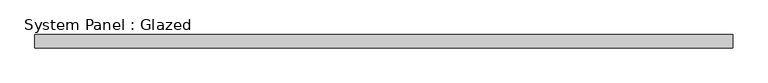
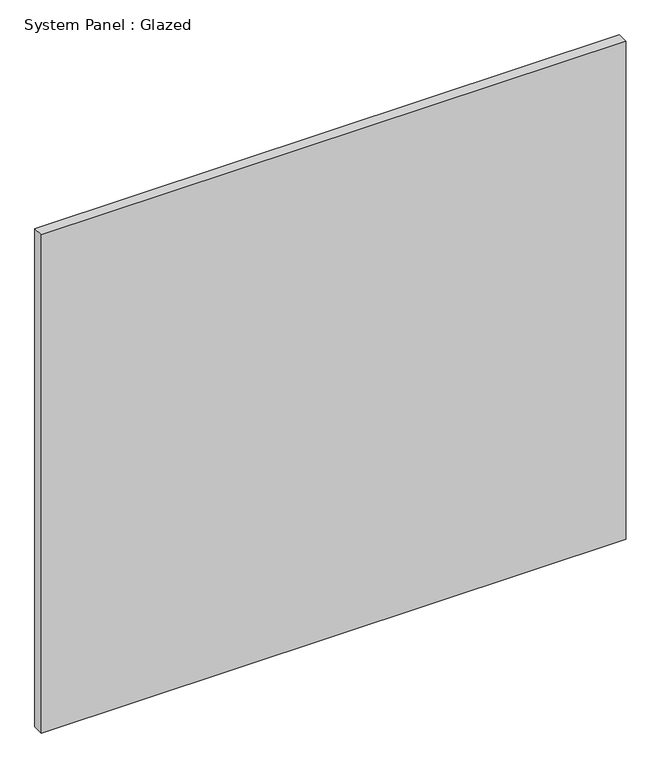
"""IFC4 building model written with IfcOpenShell, lengths in millimetres: plate geometry, System Panel : Glazed."""

from ifc_helpers import new_model, si_unit, origin, origin_with_axes, place, context, project, spatial, polyline, outline, extrude, source, transform, mapped, element, save


def system_panel_glazed_939cae98(model_context):
    return source(origin(), model_context, "Body", "SweptSolid", [
        extrude(outline(polyline([(669.175, 19.05), (-669.175, 19.05), (-669.175, 44.45), (669.175, 44.45), (669.175, 19.05)])), origin_with_axes(), (0.0, 0.0, 1.0), 1204.9756882),
    ])


if __name__ == "__main__":
    model = new_model("IFC4")
    model_context = context("Model", 3, world=origin())
    ifc_project = project(units=[si_unit("LENGTHUNIT", "METRE", prefix="MILLI")], contexts=[model_context])
    site = spatial("IfcSite", under=ifc_project)
    building = spatial("IfcBuilding", under=site)
    placement = place(None, origin())
    system_panel_glazed_shape = system_panel_glazed_939cae98(model_context)
    element("IfcPlate", 1, ObjectType="System Panel : Glazed", at=placement, inside=building, context=model_context, shape_type="MappedRepresentation", body=[
        mapped(system_panel_glazed_shape, transform((0.0, 0.0, 0.0), x_axis=(1.0, 0.0, 0.0), y_axis=(0.0, 1.0, 0.0), z_axis=(0.0, 0.0, 1.0))),
    ])
    save(model, "model.ifc")
